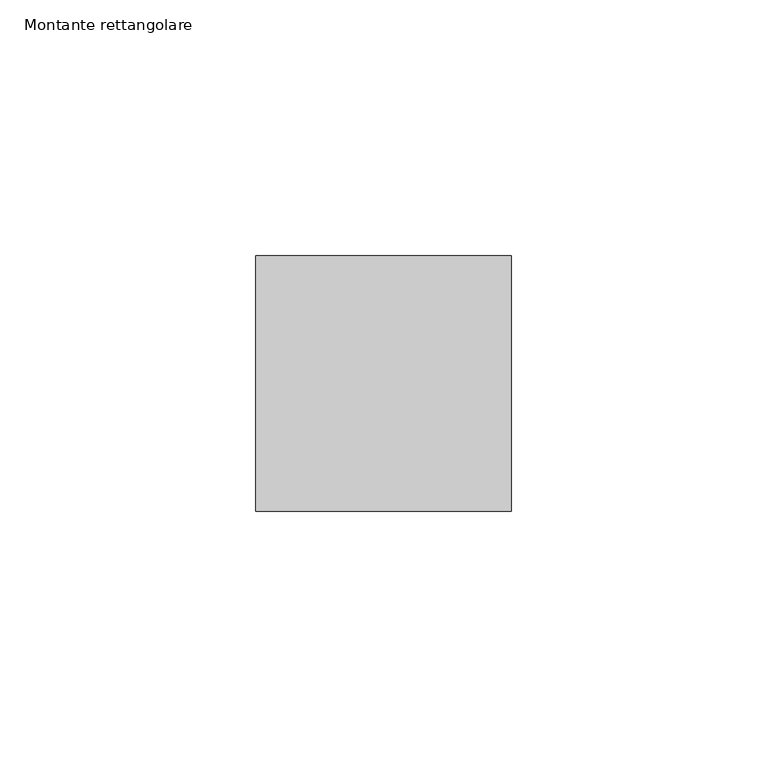
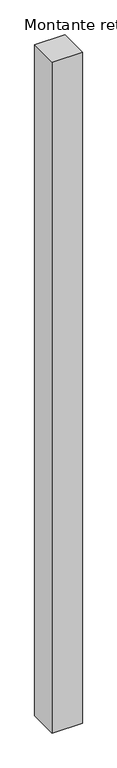
"""IFC4 building model written with IfcOpenShell, lengths in millimetres: member geometry, Montante rettangolare."""

from ifc_helpers import new_model, si_unit, frame, origin, place, context, project, spatial, polyline, outline, extrude, source, transform, mapped, element, save


def montante_rettangolare_80907107(model_context):
    return source(origin(), model_context, "Body", "SweptSolid", [
        extrude(outline(polyline([(0.0, 25.0), (0.0, -25.0), (-50.0, -25.0), (-50.0, 25.0), (0.0, 25.0)])), frame((0.0, 0.0, -1174.6203777), z_axis=(0.0, 0.0, 1.0), x_axis=(1.0, 0.0, 0.0)), (0.0, 0.0, 1.0), 1174.6203777),
    ])


if __name__ == "__main__":
    model = new_model("IFC4")
    model_context = context("Model", 3, world=origin())
    ifc_project = project(units=[si_unit("LENGTHUNIT", "METRE", prefix="MILLI")], contexts=[model_context])
    site = spatial("IfcSite", under=ifc_project)
    building = spatial("IfcBuilding", under=site)
    placement = place(None, origin())
    montante_rettangolare_shape = montante_rettangolare_80907107(model_context)
    element("IfcMember", 1, ObjectType="Montante rettangolare", at=placement, inside=building, context=model_context, shape_type="MappedRepresentation", body=[
        mapped(montante_rettangolare_shape, transform((0.0, 0.0, 0.0), x_axis=(1.0, 0.0, 0.0), y_axis=(0.0, 1.0, 0.0), z_axis=(0.0, 0.0, 1.0))),
    ])
    save(model, "model.ifc")
